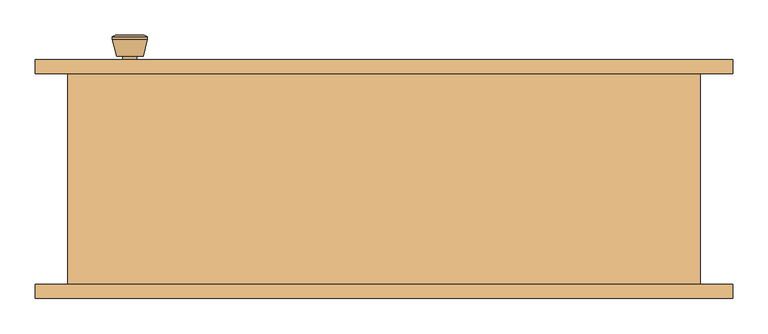
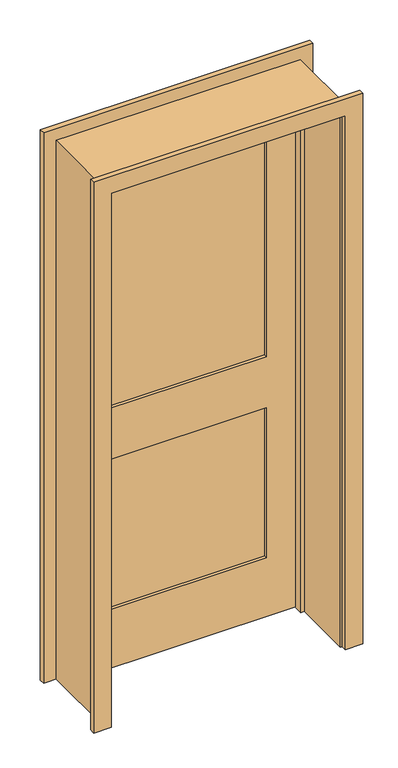
"""IFC4 building model written with IfcOpenShell, lengths in millimetres: door geometry."""

from ifc_helpers import new_model, si_unit, point, frame, frame_2d, origin, place, context, project, spatial, polyline, circle_curve, trimmed, segment, composite_curve, outline, extrude, faceted_brep, source, transform, mapped, element, save
from ifc_brep_helpers import plane_surface, cylinder_surface, revolved_surface, advanced_brep


def door_c6ba5777(model_context):
    return source(origin(), model_context, "Body", "SolidModel", [
        advanced_brep(
        [(-361.5, 105.825, 914.4), (-351.5, 105.825, 914.4), (-371.5, 105.825, 914.4), (-341.0241324, 56.825, 914.4), (-361.5, 56.825, 914.4), (-381.9758676, 56.825, 914.4), (-336.5, 58.6528681, 914.4), (-386.5, 58.6528681, 914.4), (-336.5, 62.1165463, 914.4), (-386.5, 62.1165463, 914.4), (-342.863764, 86.825, 914.4), (-380.136236, 86.825, 914.4), (-351.5, 86.825, 914.4), (-371.5, 86.825, 914.4)],
        [
            (0, 1),
            (1, 2, circle_curve(frame((-361.5, 105.825, 914.4), z_axis=(0.0, 1.0, 0.0), x_axis=(-1.0, 0.0, 0.0)), 10.0)),
            (2, 0),
            (2, 1, circle_curve(frame((-361.5, 105.825, 914.4), z_axis=(0.0, 1.0, 0.0), x_axis=(-1.0, 0.0, 0.0)), 10.0)),
            (3, 4),
            (4, 5),
            (5, 3, circle_curve(frame((-361.5, 56.825, 914.4), z_axis=(0.0, -1.0, 0.0), x_axis=(-1.0, 0.0, 0.0)), 20.4758676)),
            (3, 5, circle_curve(frame((-361.5, 56.825, 914.4), z_axis=(0.0, -1.0, 0.0), x_axis=(-1.0, 0.0, 0.0)), 20.4758676)),
            (6, 3),
            (5, 7),
            (7, 6, circle_curve(frame((-361.5, 58.6528681, 914.4), z_axis=(0.0, -1.0, 0.0), x_axis=(-1.0, 0.0, 0.0)), 25.0)),
            (6, 7, circle_curve(frame((-361.5, 58.6528681, 914.4), z_axis=(0.0, -1.0, 0.0), x_axis=(-1.0, 0.0, 0.0)), 25.0)),
            (8, 6),
            (7, 9),
            (9, 8, circle_curve(frame((-361.5, 62.1165463, 914.4), z_axis=(0.0, -1.0, 0.0), x_axis=(-1.0, 0.0, 0.0)), 25.0)),
            (8, 9, circle_curve(frame((-361.5, 62.1165463, 914.4), z_axis=(0.0, -1.0, 0.0), x_axis=(-1.0, 0.0, 0.0)), 25.0)),
            (10, 8),
            (9, 11),
            (11, 10, circle_curve(frame((-361.5, 86.825, 914.4), z_axis=(0.0, -1.0, 0.0), x_axis=(-1.0, 0.0, 0.0)), 18.636236)),
            (10, 11, circle_curve(frame((-361.5, 86.825, 914.4), z_axis=(0.0, -1.0, 0.0), x_axis=(-1.0, 0.0, 0.0)), 18.636236)),
            (12, 10),
            (11, 13),
            (13, 12, circle_curve(frame((-361.5, 86.825, 914.4), z_axis=(0.0, -1.0, 0.0), x_axis=(-1.0, 0.0, 0.0)), 10.0)),
            (12, 13, circle_curve(frame((-361.5, 86.825, 914.4), z_axis=(0.0, -1.0, 0.0), x_axis=(-1.0, 0.0, 0.0)), 10.0)),
            (1, 12),
            (13, 2),
        ],
        [
            plane_surface(frame((-361.5, 105.825, 914.4), z_axis=(0.0, 1.0, 0.0), x_axis=(-1.0, 0.0, 0.0))),
            plane_surface(frame((-361.5, 56.825, 914.4), z_axis=(0.0, -1.0, 0.0), x_axis=(-1.0, 0.0, 0.0))),
            revolved_surface(polyline([(-381.9758676, 56.825, 914.4), (-386.5, 58.6528681, 914.4)]), (-361.5, 105.825, 914.4), (0.0, 1.0, 0.0)),
            cylinder_surface(frame((-361.5, 105.825, 914.4), z_axis=(0.0, 1.0, 0.0), x_axis=(-1.0, 0.0, 0.0)), 25.0),
            revolved_surface(polyline([(-386.5, 62.1165463, 914.4), (-380.136236, 86.825, 914.4)]), (-361.5, 105.825, 914.4), (0.0, 1.0, 0.0)),
            plane_surface(frame((-361.5, 86.825, 914.4), z_axis=(0.0, 1.0, 0.0), x_axis=(-1.0, 0.0, 0.0))),
            cylinder_surface(frame((-361.5, 105.825, 914.4), z_axis=(0.0, 1.0, 0.0), x_axis=(-1.0, 0.0, 0.0)), 10.0),
        ],
        [
            (0, [[1, 2, 3]]),
            (0, [[-3, 4, -1]]),
            (1, [[5, 6, 7]]),
            (1, [[-6, -5, 8]]),
            (2, [[9, -7, 10, 11]]),
            (2, [[-10, -8, -9, 12]]),
            (3, [[13, -11, 14, 15]]),
            (3, [[-14, -12, -13, 16]]),
            (4, [[17, -15, 18, 19]]),
            (4, [[-18, -16, -17, 20]]),
            (5, [[21, -19, 22, 23]]),
            (5, [[-22, -20, -21, 24]]),
            (6, [[25, -23, 26, -2]]),
            (6, [[-26, -24, -25, -4]]),
        ],
    ),
        extrude(outline(composite_curve([segment(trimmed(circle_curve(frame_2d((914.4, -361.5)), 30.0), [point((914.4, -391.5))], [point((914.4, -331.5))], False, "CARTESIAN"), True, "CONTINUOUS"), segment(trimmed(circle_curve(frame_2d((914.4, -361.5)), 30.0), [point((914.4, -331.5))], [point((914.4, -391.5))], False, "CARTESIAN"), True, "CONTINUOUS")], self_intersect=False)), frame((0.0, 105.825, 0.0), z_axis=(0.0, 1.0, 0.0), x_axis=(0.0, 0.0, 1.0)), (0.0, 0.0, 1.0), 6.0),
        advanced_brep(
        [(-361.5, 152.825, 914.4), (-371.5, 152.825, 914.4), (-351.5, 152.825, 914.4), (-341.0241324, 201.825, 914.4), (-381.9758676, 201.825, 914.4), (-361.5, 201.825, 914.4), (-336.5, 199.9971319, 914.4), (-386.5, 199.9971319, 914.4), (-336.5, 196.5334537, 914.4), (-386.5, 196.5334537, 914.4), (-342.863764, 171.825, 914.4), (-380.136236, 171.825, 914.4), (-351.5, 171.825, 914.4), (-371.5, 171.825, 914.4)],
        [
            (0, 1),
            (1, 2, circle_curve(frame((-361.5, 152.825, 914.4), z_axis=(0.0, -1.0, 0.0), x_axis=(-1.0, 0.0, 0.0)), 10.0)),
            (2, 0),
            (2, 1, circle_curve(frame((-361.5, 152.825, 914.4), z_axis=(0.0, -1.0, 0.0), x_axis=(-1.0, 0.0, 0.0)), 10.0)),
            (3, 4, circle_curve(frame((-361.5, 201.825, 914.4), z_axis=(0.0, 1.0, 0.0), x_axis=(-1.0, 0.0, 0.0)), 20.4758676)),
            (4, 5),
            (5, 3),
            (4, 3, circle_curve(frame((-361.5, 201.825, 914.4), z_axis=(0.0, 1.0, 0.0), x_axis=(-1.0, 0.0, 0.0)), 20.4758676)),
            (6, 7, circle_curve(frame((-361.5, 199.9971319, 914.4), z_axis=(0.0, 1.0, 0.0), x_axis=(-1.0, 0.0, 0.0)), 25.0)),
            (7, 4),
            (3, 6),
            (7, 6, circle_curve(frame((-361.5, 199.9971319, 914.4), z_axis=(0.0, 1.0, 0.0), x_axis=(-1.0, 0.0, 0.0)), 25.0)),
            (8, 9, circle_curve(frame((-361.5, 196.5334537, 914.4), z_axis=(0.0, 1.0, 0.0), x_axis=(-1.0, 0.0, 0.0)), 25.0)),
            (9, 7),
            (6, 8),
            (9, 8, circle_curve(frame((-361.5, 196.5334537, 914.4), z_axis=(0.0, 1.0, 0.0), x_axis=(-1.0, 0.0, 0.0)), 25.0)),
            (10, 11, circle_curve(frame((-361.5, 171.825, 914.4), z_axis=(0.0, 1.0, 0.0), x_axis=(-1.0, 0.0, 0.0)), 18.636236)),
            (11, 9),
            (8, 10),
            (11, 10, circle_curve(frame((-361.5, 171.825, 914.4), z_axis=(0.0, 1.0, 0.0), x_axis=(-1.0, 0.0, 0.0)), 18.636236)),
            (12, 13, circle_curve(frame((-361.5, 171.825, 914.4), z_axis=(0.0, 1.0, 0.0), x_axis=(-1.0, 0.0, 0.0)), 10.0)),
            (13, 11),
            (10, 12),
            (13, 12, circle_curve(frame((-361.5, 171.825, 914.4), z_axis=(0.0, 1.0, 0.0), x_axis=(-1.0, 0.0, 0.0)), 10.0)),
            (1, 13),
            (12, 2),
        ],
        [
            plane_surface(frame((-361.5, 152.825, 914.4), z_axis=(0.0, -1.0, 0.0), x_axis=(-1.0, 0.0, 0.0))),
            plane_surface(frame((-361.5, 201.825, 914.4), z_axis=(0.0, 1.0, 0.0), x_axis=(-1.0, 0.0, 0.0))),
            revolved_surface(polyline([(-381.9758676, 201.825, 914.4), (-386.5, 199.9971319, 914.4)]), (-361.5, 152.825, 914.4), (0.0, -1.0, 0.0)),
            cylinder_surface(frame((-361.5, 152.825, 914.4), z_axis=(0.0, -1.0, 0.0), x_axis=(-1.0, 0.0, 0.0)), 25.0),
            revolved_surface(polyline([(-386.5, 196.5334537, 914.4), (-380.136236, 171.825, 914.4)]), (-361.5, 152.825, 914.4), (0.0, -1.0, 0.0)),
            plane_surface(frame((-361.5, 171.825, 914.4), z_axis=(0.0, -1.0, 0.0), x_axis=(-1.0, 0.0, 0.0))),
            cylinder_surface(frame((-361.5, 152.825, 914.4), z_axis=(0.0, -1.0, 0.0), x_axis=(-1.0, 0.0, 0.0)), 10.0),
        ],
        [
            (0, [[1, 2, 3]]),
            (0, [[-3, 4, -1]]),
            (1, [[5, 6, 7]]),
            (1, [[8, -7, -6]]),
            (2, [[9, 10, -5, 11]]),
            (2, [[12, -11, -8, -10]]),
            (3, [[13, 14, -9, 15]]),
            (3, [[16, -15, -12, -14]]),
            (4, [[17, 18, -13, 19]]),
            (4, [[20, -19, -16, -18]]),
            (5, [[21, 22, -17, 23]]),
            (5, [[24, -23, -20, -22]]),
            (6, [[-2, 25, -21, 26]]),
            (6, [[-4, -26, -24, -25]]),
        ],
    ),
        extrude(outline(composite_curve([segment(trimmed(circle_curve(frame_2d((914.4, -361.5)), 30.0), [point((914.4, -391.5))], [point((914.4, -331.5))], False, "CARTESIAN"), True, "CONTINUOUS"), segment(trimmed(circle_curve(frame_2d((914.4, -361.5)), 30.0), [point((914.4, -331.5))], [point((914.4, -391.5))], False, "CARTESIAN"), True, "CONTINUOUS")], self_intersect=False)), frame((0.0, 146.825, 0.0), z_axis=(0.0, 1.0, 0.0), x_axis=(0.0, 0.0, 1.0)), (0.0, 0.0, 1.0), 6.0),
        extrude(outline(polyline([(305.0, 123.4916667), (-305.0, 123.4916667), (-305.0, 135.1583333), (305.0, 135.1583333), (305.0, 123.4916667)])), frame((0.0, 0.0, 1014.4), z_axis=(0.0, 0.0, 1.0), x_axis=(1.0, 0.0, 0.0)), (0.0, 0.0, 1.0), 940.6),
        extrude(outline(polyline([(305.0, 123.4916667), (-305.0, 123.4916667), (-305.0, 135.1583333), (305.0, 135.1583333), (305.0, 123.4916667)])), frame((0.0, 0.0, 230.0), z_axis=(0.0, 0.0, 1.0), x_axis=(1.0, 0.0, 0.0)), (0.0, 0.0, 1.0), 584.4),
        extrude(outline(polyline([(2075.0, -425.0), (0.0, -425.0), (0.0, 425.0), (2075.0, 425.0), (2075.0, -425.0)]), holes=[polyline([(1955.0, -305.0), (1955.0, 305.0), (1014.4, 305.0), (1014.4, -305.0), (1955.0, -305.0)]), polyline([(814.4, -305.0), (814.4, 305.0), (230.0, 305.0), (230.0, -305.0), (814.4, -305.0)])]), frame((0.0, 111.825, 0.0), z_axis=(0.0, 1.0, 0.0), x_axis=(0.0, 0.0, 1.0)), (0.0, 0.0, 1.0), 35.0),
        faceted_brep([(450.0, 146.825, 0.0), (450.0, -153.175, 0.0), (425.0, -153.175, 0.0), (425.0, 76.9, 0.0), (412.3, 76.9, 0.0), (412.3, 111.825, 0.0), (425.0, 111.825, 0.0), (425.0, 146.825, 0.0), (450.0, 146.825, 2100.0), (450.0, -153.175, 2100.0), (-450.0, -153.175, 2100.0), (-450.0, -153.175, 0.0), (-425.0, -153.175, 0.0), (-425.0, -153.175, 2075.0), (425.0, -153.175, 2075.0), (425.0, 76.9, 2075.0), (-425.0, 76.9, 2075.0), (-425.0, 76.9, 0.0), (-412.3, 76.9, 0.0), (-412.3, 76.9, 2062.3), (412.3, 76.9, 2062.3), (412.3, 111.825, 2062.3), (-412.3, 111.825, 2062.3), (-412.3, 111.825, 0.0), (-425.0, 111.825, 0.0), (-425.0, 111.825, 2075.0), (425.0, 111.825, 2075.0), (425.0, 146.825, 2075.0), (-425.0, 146.825, 2075.0), (-425.0, 146.825, 0.0), (-450.0, 146.825, 0.0), (-450.0, 146.825, 2100.0)], [[[0, 1, 2, 3, 4, 5, 6, 7]], [[1, 0, 8, 9]], [[2, 1, 9, 10, 11, 12, 13, 14]], [[3, 2, 14, 15]], [[4, 3, 15, 16, 17, 18, 19, 20]], [[5, 4, 20, 21]], [[6, 5, 21, 22, 23, 24, 25, 26]], [[7, 6, 26, 27]], [[0, 7, 27, 28, 29, 30, 31, 8]], [[9, 8, 31, 10]], [[15, 14, 13, 16]], [[21, 20, 19, 22]], [[27, 26, 25, 28]], [[30, 29, 24, 23, 18, 17, 12, 11]], [[10, 31, 30, 11]], [[16, 13, 12, 17]], [[22, 19, 18, 23]], [[28, 25, 24, 29]]]),
        extrude(outline(polyline([(0.0, 431.35), (0.0, 496.35), (2146.35, 496.35), (2146.35, -496.35), (0.0, -496.35), (0.0, -431.35), (2081.35, -431.35), (2081.35, 431.35), (0.0, 431.35)])), frame((0.0, -173.175, 0.0), z_axis=(0.0, 1.0, 0.0), x_axis=(0.0, 0.0, 1.0)), (0.0, 0.0, 1.0), 20.0),
        extrude(outline(polyline([(0.0, 431.35), (0.0, 496.35), (2146.35, 496.35), (2146.35, -496.35), (0.0, -496.35), (0.0, -431.35), (2081.35, -431.35), (2081.35, 431.35), (0.0, 431.35)])), frame((0.0, 146.825, 0.0), z_axis=(0.0, 1.0, 0.0), x_axis=(0.0, 0.0, 1.0)), (0.0, 0.0, 1.0), 20.0),
    ])


if __name__ == "__main__":
    model = new_model("IFC4")
    model_context = context("Model", 3, world=origin())
    ifc_project = project(units=[si_unit("LENGTHUNIT", "METRE", prefix="MILLI")], contexts=[model_context])
    site = spatial("IfcSite", under=ifc_project)
    building = spatial("IfcBuilding", under=site)
    placement = place(None, origin())
    door_shape = door_c6ba5777(model_context)
    element("IfcDoor", 1, at=placement, inside=building, context=model_context, shape_type="MappedRepresentation", body=[
        mapped(door_shape, transform((0.0, 0.0, 0.0), x_axis=(1.0, 0.0, 0.0), y_axis=(0.0, 1.0, 0.0), z_axis=(0.0, 0.0, 1.0))),
    ])
    save(model, "model.ifc")
